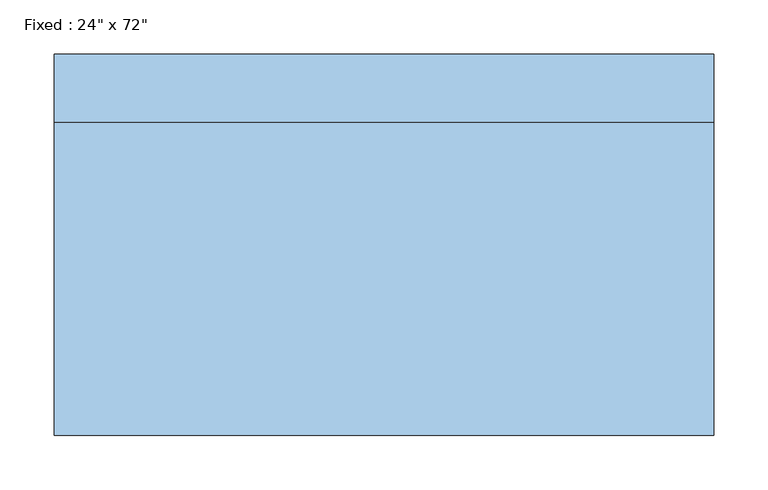
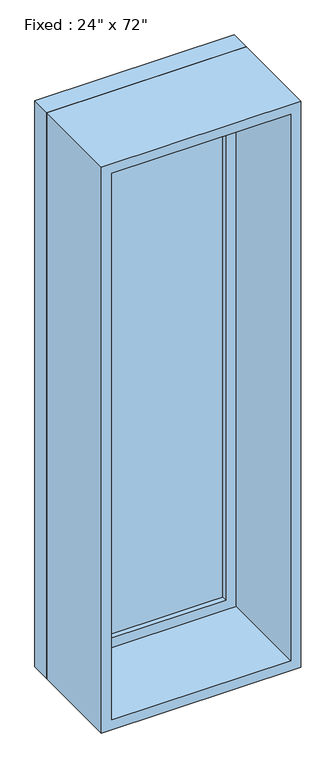
"""IFC4 building model written with IfcOpenShell, lengths in millimetres: window geometry."""

from ifc_helpers import new_model, si_unit, frame, origin, place, context, project, spatial, polyline, outline, extrude, source, transform, mapped, element, save


def window_103a36ab(model_context):
    return source(origin(), model_context, "Body", "SweptSolid", [
        extrude(outline(polyline([(203.2, 128.5875), (-279.4, 128.5875), (-279.4, 141.2875), (203.2, 141.2875), (203.2, 128.5875)])), frame((0.0, 0.0, 368.3), z_axis=(0.0, 0.0, 1.0), x_axis=(1.0, 0.0, 0.0)), (0.0, 0.0, 1.0), 1701.8),
        extrude(outline(polyline([(2114.55, -323.85), (323.85, -323.85), (323.85, 247.65), (2114.55, 247.65), (2114.55, -323.85)]), holes=[polyline([(2070.1, -279.4), (2070.1, 203.2), (368.3, 203.2), (368.3, -279.4), (2070.1, -279.4)])]), frame((0.0, 112.7125, 0.0), z_axis=(0.0, 1.0, 0.0), x_axis=(0.0, 0.0, 1.0)), (0.0, 0.0, 1.0), 44.45),
        extrude(outline(polyline([(2133.6, -342.9), (304.8, -342.9), (304.8, 266.7), (2133.6, 266.7), (2133.6, -342.9)]), holes=[polyline([(2101.85, -311.15), (2101.85, 234.95), (336.55, 234.95), (336.55, -311.15), (2101.85, -311.15)])]), frame((0.0, -176.2125, 0.0), z_axis=(0.0, 1.0, 0.0), x_axis=(0.0, 0.0, 1.0)), (0.0, 0.0, 1.0), 288.925),
        extrude(outline(polyline([(2133.6, 266.7), (2133.6, -342.9), (304.8, -342.9), (304.8, 266.7), (2133.6, 266.7)]), holes=[polyline([(2114.55, 247.65), (323.85, 247.65), (323.85, -323.85), (2114.55, -323.85), (2114.55, 247.65)])]), frame((0.0, 112.7125, 0.0), z_axis=(0.0, 1.0, 0.0), x_axis=(0.0, 0.0, 1.0)), (0.0, 0.0, 1.0), 63.5),
    ])


if __name__ == "__main__":
    model = new_model("IFC4")
    model_context = context("Model", 3, world=origin())
    ifc_project = project(units=[si_unit("LENGTHUNIT", "METRE", prefix="MILLI")], contexts=[model_context])
    site = spatial("IfcSite", under=ifc_project)
    building = spatial("IfcBuilding", under=site)
    placement = place(None, origin())
    window_shape = window_103a36ab(model_context)
    element("IfcWindow", 1, ObjectType="Fixed : 24\" x 72\"", at=placement, inside=building, context=model_context, shape_type="MappedRepresentation", body=[
        mapped(window_shape, transform((0.0, 0.0, 0.0), x_axis=(1.0, 0.0, 0.0), y_axis=(0.0, 1.0, 0.0), z_axis=(0.0, 0.0, 1.0))),
    ])
    save(model, "model.ifc")
